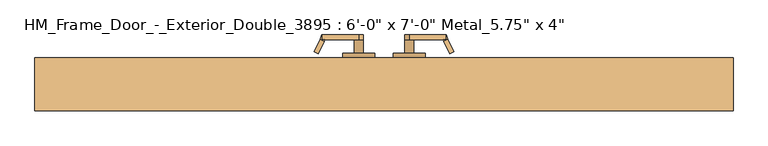
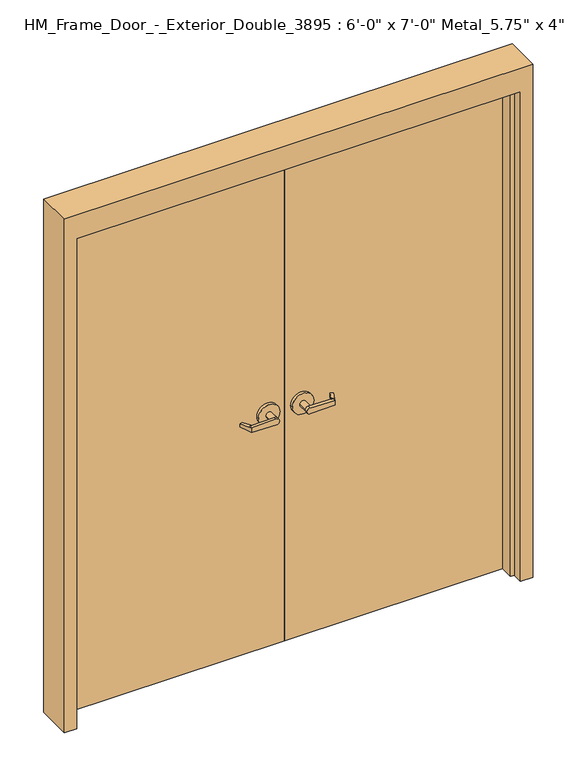
"""IFC4 building model written with IfcOpenShell, lengths in millimetres: door geometry."""

from ifc_helpers import new_model, si_unit, frame, origin, origin_with_axes, place, context, project, spatial, polyline, circle_curve, outline, extrude, faceted_brep, source, transform, mapped, element, save
from ifc_brep_helpers import plane_surface, cylinder_surface, advanced_brep


def door_cf2ee6a8(model_context):
    return source(origin(), model_context, "Body", "SolidModel", [
        advanced_brep(
        [(-291.892857, -64.0976392, 1025.525), (-275.7911012, -29.5673125, 1022.35), (-275.7911012, -29.5673125, 1009.65), (-291.892857, -64.0976392, 1006.475), (-293.8407923, -68.275, 1006.475), (-293.8407923, -68.275, 1025.525), (-285.75, -80.975, 1006.475), (-280.3827481, -69.4648911, 1006.475), (-264.2809923, -34.9345644, 1009.65), (-264.2809923, -34.9345644, 1022.35), (-280.3827481, -69.4648911, 1025.525), (-285.75, -80.975, 1025.525), (-285.75, -68.275, 1025.525), (-285.75, -68.275, 1006.475), (-386.9525418, -80.975, 1028.6937791), (-386.9525418, -80.975, 1003.3062209), (-386.9525418, -68.275, 1003.3062209), (-374.65, -68.275, 1016.0), (-386.9525418, -68.275, 1028.6937791), (-400.05, -68.275, 1016.0), (-400.05, -30.175, 1016.0), (-374.65, -30.175, 1016.0), (-431.8, -30.175, 1016.0), (-342.9, -30.175, 1016.0), (-431.8, -17.475, 1016.0), (-342.9, -17.475, 1016.0)],
        [
            (0, 1),
            (1, 2),
            (2, 3),
            (3, 4),
            (4, 5),
            (5, 0),
            (6, 7),
            (7, 8),
            (8, 9),
            (9, 10),
            (10, 11),
            (11, 6),
            (10, 0),
            (5, 12),
            (12, 11),
            (9, 1),
            (8, 2),
            (7, 3),
            (6, 13),
            (13, 4),
            (11, 14),
            (14, 15, circle_curve(frame((-387.35, -80.975, 1016.0), z_axis=(0.0, -1.0, 0.0), x_axis=(1.0, 0.0, 0.0)), 12.7)),
            (15, 6),
            (13, 16),
            (16, 17, circle_curve(frame((-387.35, -68.275, 1016.0), z_axis=(0.0, -1.0, 0.0), x_axis=(1.0, 0.0, 0.0)), 12.7)),
            (17, 18, circle_curve(frame((-387.35, -68.275, 1016.0), z_axis=(0.0, -1.0, 0.0), x_axis=(1.0, 0.0, 0.0)), 12.7)),
            (18, 12),
            (18, 14),
            (18, 19, circle_curve(frame((-387.35, -68.275, 1016.0), z_axis=(0.0, -1.0, 0.0), x_axis=(1.0, 0.0, 0.0)), 12.7)),
            (19, 16, circle_curve(frame((-387.35, -68.275, 1016.0), z_axis=(0.0, -1.0, 0.0), x_axis=(1.0, 0.0, 0.0)), 12.7)),
            (16, 15),
            (19, 20),
            (20, 21, circle_curve(frame((-387.35, -30.175, 1016.0), z_axis=(0.0, -1.0, 0.0), x_axis=(1.0, 0.0, 0.0)), 12.7)),
            (21, 17),
            (21, 20, circle_curve(frame((-387.35, -30.175, 1016.0), z_axis=(0.0, -1.0, 0.0), x_axis=(1.0, 0.0, 0.0)), 12.7)),
            (22, 23, circle_curve(frame((-387.35, -30.175, 1016.0), z_axis=(0.0, -1.0, 0.0), x_axis=(1.0, 0.0, 0.0)), 44.45)),
            (23, 22, circle_curve(frame((-387.35, -30.175, 1016.0), z_axis=(0.0, -1.0, 0.0), x_axis=(1.0, 0.0, 0.0)), 44.45)),
            (24, 25, circle_curve(frame((-387.35, -17.475, 1016.0), z_axis=(0.0, 1.0, 0.0), x_axis=(1.0, 0.0, 0.0)), 44.45)),
            (25, 24, circle_curve(frame((-387.35, -17.475, 1016.0), z_axis=(0.0, 1.0, 0.0), x_axis=(1.0, 0.0, 0.0)), 44.45)),
            (22, 24),
            (25, 23),
        ],
        [
            plane_surface(frame((-297.2601089, -75.6077481, 1025.525), z_axis=(-0.9063077870366494, 0.4226182617407007, 0.0), x_axis=(0.0, 0.0, 1.0))),
            plane_surface(frame((-285.75, -80.975, 1025.525), z_axis=(0.9063077870366494, -0.4226182617407007, 0.0), x_axis=(0.0, 0.0, -1.0))),
            plane_surface(frame((-297.2601089, -75.6077481, 1025.525), z_axis=(0.0, 0.0, 1.0000000000000002), x_axis=(0.9063077870366494, -0.42261826174070094, 0.0))),
            plane_surface(frame((-291.892857, -64.0976392, 1025.525), z_axis=(0.035096536341203244, 0.0752647650696388, 0.9965457582448801), x_axis=(0.9063077870366494, -0.42261826174070094, 0.0))),
            plane_surface(frame((-275.7911012, -29.5673125, 1022.35), z_axis=(0.42261826174070094, 0.9063077870366494, 0.0), x_axis=(0.9063077870366494, -0.42261826174070094, 0.0))),
            plane_surface(frame((-275.7911012, -29.5673125, 1009.65), z_axis=(0.03509653634121679, 0.07526476506964087, -0.9965457582448793), x_axis=(0.9063077870366495, -0.42261826174070033, 0.0))),
            plane_surface(frame((-291.892857, -64.0976392, 1006.475), z_axis=(0.0, 0.0, -1.0000000000000002), x_axis=(0.9063077870366494, -0.42261826174070094, 0.0))),
            plane_surface(frame((-285.75, -80.975, 1025.525), z_axis=(0.0, -1.0000000000000002, 0.0), x_axis=(-0.9995101626549143, 0.0, 0.0312959222511001))),
            plane_surface(frame((-285.75, -68.275, 1025.525), z_axis=(0.0, 1.0000000000000002, 0.0), x_axis=(0.9995101626549143, 0.0, -0.0312959222511001))),
            plane_surface(frame((-285.75, -80.975, 1025.525), z_axis=(0.0312959222511001, 0.0, 0.9995101626549143), x_axis=(0.0, 1.0, 0.0))),
            cylinder_surface(frame((-387.35, -68.275, 1016.0), z_axis=(0.0, -1.0, 0.0), x_axis=(1.0, 0.0, 0.0)), 12.7),
            plane_surface(frame((-386.9525418, -80.975, 1003.3062209), z_axis=(0.03129592225110919, 0.0, -0.999510162654914), x_axis=(0.0, 1.0, 0.0))),
            cylinder_surface(frame((-387.35, -30.175, 1016.0), z_axis=(0.0, -1.0, 0.0), x_axis=(1.0, 0.0, 0.0)), 12.7),
            plane_surface(frame((-342.9, -30.175, 1016.0), z_axis=(0.0, -1.0, 0.0), x_axis=(0.0, 0.0, 1.0))),
            plane_surface(frame((-342.9, -17.475, 1016.0), z_axis=(0.0, 1.0, 0.0), x_axis=(0.0, 0.0, -1.0))),
            cylinder_surface(frame((-387.35, -17.475, 1016.0), z_axis=(0.0, -1.0, 0.0), x_axis=(1.0, 0.0, 0.0)), 44.45),
        ],
        [
            (0, [[1, 2, 3, 4, 5, 6]]),
            (1, [[7, 8, 9, 10, 11, 12]]),
            (2, [[-11, 13, -6, 14, 15]]),
            (3, [[-1, -13, -10, 16]]),
            (4, [[-2, -16, -9, 17]]),
            (5, [[-3, -17, -8, 18]]),
            (6, [[-7, 19, 20, -4, -18]]),
            (7, [[21, 22, 23, -12]]),
            (8, [[24, 25, 26, 27, -14, -5, -20]]),
            (9, [[-21, -15, -27, 28]]),
            (10, [[-22, -28, 29, 30, 31]]),
            (11, [[-23, -31, -24, -19]]),
            (12, [[32, 33, 34, -25, -30]]),
            (12, [[-32, -29, -26, -34, 35]]),
            (13, [[36, 37], [-33, -35]]),
            (14, [[38, 39]]),
            (15, [[-36, 40, -39, 41]]),
            (15, [[-37, -41, -38, -40]]),
        ],
    ),
        advanced_brep(
        [(-622.507143, -64.0976392, 1006.475), (-638.6088988, -29.5673125, 1009.65), (-638.6088988, -29.5673125, 1022.35), (-622.507143, -64.0976392, 1025.525), (-620.5592077, -68.275, 1025.525), (-620.5592077, -68.275, 1006.475), (-628.65, -80.975, 1025.525), (-634.0172519, -69.4648911, 1025.525), (-650.1190077, -34.9345644, 1022.35), (-650.1190077, -34.9345644, 1009.65), (-634.0172519, -69.4648911, 1006.475), (-628.65, -80.975, 1006.475), (-628.65, -68.275, 1006.475), (-628.65, -68.275, 1025.525), (-527.4474582, -80.975, 1003.3062209), (-527.4474582, -80.975, 1028.6937791), (-527.4474582, -68.275, 1028.6937791), (-539.75, -68.275, 1016.0), (-527.4474582, -68.275, 1003.3062209), (-514.35, -68.275, 1016.0), (-514.35, -30.175, 1016.0), (-539.75, -30.175, 1016.0), (-482.6, -30.175, 1016.0), (-571.5, -30.175, 1016.0), (-482.6, -17.475, 1016.0), (-571.5, -17.475, 1016.0)],
        [
            (0, 1),
            (1, 2),
            (2, 3),
            (3, 4),
            (4, 5),
            (5, 0),
            (6, 7),
            (7, 8),
            (8, 9),
            (9, 10),
            (10, 11),
            (11, 6),
            (10, 0),
            (5, 12),
            (12, 11),
            (9, 1),
            (8, 2),
            (7, 3),
            (6, 13),
            (13, 4),
            (11, 14),
            (14, 15, circle_curve(frame((-527.05, -80.975, 1016.0), z_axis=(0.0, -1.0, 0.0), x_axis=(-1.0, 0.0, 0.0)), 12.7)),
            (15, 6),
            (13, 16),
            (16, 17, circle_curve(frame((-527.05, -68.275, 1016.0), z_axis=(0.0, -1.0, 0.0), x_axis=(-1.0, 0.0, 0.0)), 12.7)),
            (17, 18, circle_curve(frame((-527.05, -68.275, 1016.0), z_axis=(0.0, -1.0, 0.0), x_axis=(-1.0, 0.0, 0.0)), 12.7)),
            (18, 12),
            (18, 14),
            (18, 19, circle_curve(frame((-527.05, -68.275, 1016.0), z_axis=(0.0, -1.0, 0.0), x_axis=(-1.0, 0.0, 0.0)), 12.7)),
            (19, 16, circle_curve(frame((-527.05, -68.275, 1016.0), z_axis=(0.0, -1.0, 0.0), x_axis=(-1.0, 0.0, 0.0)), 12.7)),
            (16, 15),
            (19, 20),
            (20, 21, circle_curve(frame((-527.05, -30.175, 1016.0), z_axis=(0.0, -1.0, 0.0), x_axis=(-1.0, 0.0, 0.0)), 12.7)),
            (21, 17),
            (21, 20, circle_curve(frame((-527.05, -30.175, 1016.0), z_axis=(0.0, -1.0, 0.0), x_axis=(-1.0, 0.0, 0.0)), 12.7)),
            (22, 23, circle_curve(frame((-527.05, -30.175, 1016.0), z_axis=(0.0, -1.0, 0.0), x_axis=(-1.0, 0.0, 0.0)), 44.45)),
            (23, 22, circle_curve(frame((-527.05, -30.175, 1016.0), z_axis=(0.0, -1.0, 0.0), x_axis=(-1.0, 0.0, 0.0)), 44.45)),
            (24, 25, circle_curve(frame((-527.05, -17.475, 1016.0), z_axis=(0.0, 1.0, 0.0), x_axis=(-1.0, 0.0, 0.0)), 44.45)),
            (25, 24, circle_curve(frame((-527.05, -17.475, 1016.0), z_axis=(0.0, 1.0, 0.0), x_axis=(-1.0, 0.0, 0.0)), 44.45)),
            (22, 24),
            (25, 23),
        ],
        [
            plane_surface(frame((-617.1398911, -75.6077481, 1006.475), z_axis=(0.9063077870366494, 0.4226182617407007, 0.0), x_axis=(0.0, 0.0, -1.0))),
            plane_surface(frame((-628.65, -80.975, 1006.475), z_axis=(-0.9063077870366494, -0.4226182617407007, 0.0), x_axis=(0.0, 0.0, 1.0))),
            plane_surface(frame((-617.1398911, -75.6077481, 1006.475), z_axis=(0.0, 0.0, -1.0000000000000002), x_axis=(-0.9063077870366494, -0.42261826174070094, 0.0))),
            plane_surface(frame((-622.507143, -64.0976392, 1006.475), z_axis=(-0.035096536341209544, 0.07526476506963878, -0.9965457582448799), x_axis=(-0.9063077870366494, -0.42261826174070094, 0.0))),
            plane_surface(frame((-638.6088988, -29.5673125, 1009.65), z_axis=(-0.42261826174070094, 0.9063077870366494, 0.0), x_axis=(-0.9063077870366494, -0.42261826174070094, 0.0))),
            plane_surface(frame((-638.6088988, -29.5673125, 1022.35), z_axis=(-0.03509653634121048, 0.0752647650696409, 0.9965457582448796), x_axis=(-0.9063077870366495, -0.42261826174070033, 0.0))),
            plane_surface(frame((-622.507143, -64.0976392, 1025.525), z_axis=(0.0, 0.0, 1.0000000000000002), x_axis=(-0.9063077870366494, -0.42261826174070094, 0.0))),
            plane_surface(frame((-628.65, -80.975, 1006.475), z_axis=(0.0, -1.0, 0.0), x_axis=(0.9995101626549141, 0.0, -0.03129592225110644))),
            plane_surface(frame((-628.65, -68.275, 1006.475), z_axis=(0.0, 1.0, 0.0), x_axis=(-0.9995101626549141, 0.0, 0.03129592225110644))),
            plane_surface(frame((-628.65, -80.975, 1006.475), z_axis=(-0.03129592225110644, 0.0, -0.9995101626549141), x_axis=(0.0, 1.0, 0.0))),
            cylinder_surface(frame((-527.05, -68.275, 1016.0), z_axis=(0.0, -1.0, 0.0), x_axis=(-1.0, 0.0, 0.0)), 12.7),
            plane_surface(frame((-527.4474582, -80.975, 1028.6937791), z_axis=(-0.03129592225110286, 0.0, 0.9995101626549142), x_axis=(0.0, 1.0, 0.0))),
            cylinder_surface(frame((-527.05, -30.175, 1016.0), z_axis=(0.0, -1.0, 0.0), x_axis=(-1.0, 0.0, 0.0)), 12.7),
            plane_surface(frame((-571.5, -30.175, 1016.0), z_axis=(0.0, -1.0, 0.0), x_axis=(0.0, 0.0, -1.0))),
            plane_surface(frame((-571.5, -17.475, 1016.0), z_axis=(0.0, 1.0, 0.0), x_axis=(0.0, 0.0, 1.0))),
            cylinder_surface(frame((-527.05, -17.475, 1016.0), z_axis=(0.0, -1.0, 0.0), x_axis=(-1.0, 0.0, 0.0)), 44.45),
        ],
        [
            (0, [[1, 2, 3, 4, 5, 6]]),
            (1, [[7, 8, 9, 10, 11, 12]]),
            (2, [[-11, 13, -6, 14, 15]]),
            (3, [[-1, -13, -10, 16]]),
            (4, [[-2, -16, -9, 17]]),
            (5, [[-3, -17, -8, 18]]),
            (6, [[-7, 19, 20, -4, -18]]),
            (7, [[21, 22, 23, -12]]),
            (8, [[24, 25, 26, 27, -14, -5, -20]]),
            (9, [[-21, -15, -27, 28]]),
            (10, [[-22, -28, 29, 30, 31]]),
            (11, [[-23, -31, -24, -19]]),
            (12, [[32, 33, 34, -25, -30]]),
            (12, [[-32, -29, -26, -34, 35]]),
            (13, [[36, 37], [-33, -35]]),
            (14, [[38, 39]]),
            (15, [[-36, 40, -39, 41]]),
            (15, [[-37, -41, -38, -40]]),
        ],
    ),
        advanced_brep(
        [(-291.892857, 73.5976392, 1006.475), (-275.7911012, 39.0673125, 1009.65), (-275.7911012, 39.0673125, 1022.35), (-291.892857, 73.5976392, 1025.525), (-293.8407923, 77.775, 1025.525), (-293.8407923, 77.775, 1006.475), (-285.75, 90.475, 1025.525), (-280.3827481, 78.9648911, 1025.525), (-264.2809923, 44.4345644, 1022.35), (-264.2809923, 44.4345644, 1009.65), (-280.3827481, 78.9648911, 1006.475), (-285.75, 90.475, 1006.475), (-285.75, 77.775, 1006.475), (-285.75, 77.775, 1025.525), (-386.9525418, 90.475, 1003.3062209), (-386.9525418, 90.475, 1028.6937791), (-386.9525418, 77.775, 1028.6937791), (-374.65, 77.775, 1016.0), (-386.9525418, 77.775, 1003.3062209), (-400.05, 77.775, 1016.0), (-400.05, 39.675, 1016.0), (-374.65, 39.675, 1016.0), (-431.8, 39.675, 1016.0), (-342.9, 39.675, 1016.0), (-431.8, 26.975, 1016.0), (-342.9, 26.975, 1016.0)],
        [
            (0, 1),
            (1, 2),
            (2, 3),
            (3, 4),
            (4, 5),
            (5, 0),
            (6, 7),
            (7, 8),
            (8, 9),
            (9, 10),
            (10, 11),
            (11, 6),
            (10, 0),
            (5, 12),
            (12, 11),
            (9, 1),
            (8, 2),
            (7, 3),
            (6, 13),
            (13, 4),
            (11, 14),
            (14, 15, circle_curve(frame((-387.35, 90.475, 1016.0), z_axis=(0.0, 1.0, 0.0), x_axis=(1.0, 0.0, 0.0)), 12.7)),
            (15, 6),
            (13, 16),
            (16, 17, circle_curve(frame((-387.35, 77.775, 1016.0), z_axis=(0.0, 1.0, 0.0), x_axis=(1.0, 0.0, 0.0)), 12.7)),
            (17, 18, circle_curve(frame((-387.35, 77.775, 1016.0), z_axis=(0.0, 1.0, 0.0), x_axis=(1.0, 0.0, 0.0)), 12.7)),
            (18, 12),
            (18, 14),
            (18, 19, circle_curve(frame((-387.35, 77.775, 1016.0), z_axis=(0.0, 1.0, 0.0), x_axis=(1.0, 0.0, 0.0)), 12.7)),
            (19, 16, circle_curve(frame((-387.35, 77.775, 1016.0), z_axis=(0.0, 1.0, 0.0), x_axis=(1.0, 0.0, 0.0)), 12.7)),
            (16, 15),
            (19, 20),
            (20, 21, circle_curve(frame((-387.35, 39.675, 1016.0), z_axis=(0.0, 1.0, 0.0), x_axis=(1.0, 0.0, 0.0)), 12.7)),
            (21, 17),
            (21, 20, circle_curve(frame((-387.35, 39.675, 1016.0), z_axis=(0.0, 1.0, 0.0), x_axis=(1.0, 0.0, 0.0)), 12.7)),
            (22, 23, circle_curve(frame((-387.35, 39.675, 1016.0), z_axis=(0.0, 1.0, 0.0), x_axis=(1.0, 0.0, 0.0)), 44.45)),
            (23, 22, circle_curve(frame((-387.35, 39.675, 1016.0), z_axis=(0.0, 1.0, 0.0), x_axis=(1.0, 0.0, 0.0)), 44.45)),
            (24, 25, circle_curve(frame((-387.35, 26.975, 1016.0), z_axis=(0.0, -1.0, 0.0), x_axis=(1.0, 0.0, 0.0)), 44.45)),
            (25, 24, circle_curve(frame((-387.35, 26.975, 1016.0), z_axis=(0.0, -1.0, 0.0), x_axis=(1.0, 0.0, 0.0)), 44.45)),
            (22, 24),
            (25, 23),
        ],
        [
            plane_surface(frame((-297.2601089, 85.1077481, 1006.475), z_axis=(-0.9063077870366494, -0.4226182617407007, 0.0), x_axis=(0.0, 0.0, -1.0))),
            plane_surface(frame((-285.75, 90.475, 1006.475), z_axis=(0.9063077870366494, 0.4226182617407007, 0.0), x_axis=(0.0, 0.0, 1.0))),
            plane_surface(frame((-297.2601089, 85.1077481, 1006.475), z_axis=(0.0, 0.0, -1.0000000000000002), x_axis=(0.9063077870366494, 0.42261826174070094, 0.0))),
            plane_surface(frame((-291.892857, 73.5976392, 1006.475), z_axis=(0.0350965363412159, -0.0752647650696388, -0.9965457582448797), x_axis=(0.9063077870366494, 0.42261826174070094, 0.0))),
            plane_surface(frame((-275.7911012, 39.0673125, 1009.65), z_axis=(0.42261826174070094, -0.9063077870366494, 0.0), x_axis=(0.9063077870366494, 0.42261826174070094, 0.0))),
            plane_surface(frame((-275.7911012, 39.0673125, 1022.35), z_axis=(0.035096536341204125, -0.07526476506964087, 0.9965457582448798), x_axis=(0.9063077870366495, 0.42261826174070033, 0.0))),
            plane_surface(frame((-291.892857, 73.5976392, 1025.525), z_axis=(0.0, 0.0, 1.0000000000000002), x_axis=(0.9063077870366494, 0.42261826174070094, 0.0))),
            plane_surface(frame((-285.75, 90.475, 1006.475), z_axis=(0.0, 1.0, 0.0), x_axis=(-0.9995101626549139, 0.0, -0.03129592225111281))),
            plane_surface(frame((-285.75, 77.775, 1006.475), z_axis=(0.0, -1.0, 0.0), x_axis=(0.9995101626549139, 0.0, 0.03129592225111281))),
            plane_surface(frame((-285.75, 90.475, 1006.475), z_axis=(0.03129592225111281, 0.0, -0.9995101626549139), x_axis=(0.0, -1.0, 0.0))),
            cylinder_surface(frame((-387.35, 77.775, 1016.0), z_axis=(0.0, 1.0, 0.0), x_axis=(1.0, 0.0, 0.0)), 12.7),
            plane_surface(frame((-386.9525418, 90.475, 1028.6937791), z_axis=(0.03129592225109649, 0.0, 0.9995101626549144), x_axis=(0.0, -1.0, 0.0))),
            cylinder_surface(frame((-387.35, 39.675, 1016.0), z_axis=(0.0, 1.0, 0.0), x_axis=(1.0, 0.0, 0.0)), 12.7),
            plane_surface(frame((-342.9, 39.675, 1016.0), z_axis=(0.0, 1.0, 0.0), x_axis=(0.0, 0.0, -1.0))),
            plane_surface(frame((-342.9, 26.975, 1016.0), z_axis=(0.0, -1.0, 0.0), x_axis=(0.0, 0.0, 1.0))),
            cylinder_surface(frame((-387.35, 26.975, 1016.0), z_axis=(0.0, 1.0, 0.0), x_axis=(1.0, 0.0, 0.0)), 44.45),
        ],
        [
            (0, [[1, 2, 3, 4, 5, 6]]),
            (1, [[7, 8, 9, 10, 11, 12]]),
            (2, [[-11, 13, -6, 14, 15]]),
            (3, [[-1, -13, -10, 16]]),
            (4, [[-2, -16, -9, 17]]),
            (5, [[-3, -17, -8, 18]]),
            (6, [[-7, 19, 20, -4, -18]]),
            (7, [[21, 22, 23, -12]]),
            (8, [[24, 25, 26, 27, -14, -5, -20]]),
            (9, [[-21, -15, -27, 28]]),
            (10, [[-22, -28, 29, 30, 31]]),
            (11, [[-23, -31, -24, -19]]),
            (12, [[32, 33, 34, -25, -30]]),
            (12, [[-32, -29, -26, -34, 35]]),
            (13, [[36, 37], [-33, -35]]),
            (14, [[38, 39]]),
            (15, [[-36, 40, -39, 41]]),
            (15, [[-37, -41, -38, -40]]),
        ],
    ),
        advanced_brep(
        [(-622.507143, 73.5976392, 1025.525), (-638.6088988, 39.0673125, 1022.35), (-638.6088988, 39.0673125, 1009.65), (-622.507143, 73.5976392, 1006.475), (-620.5592077, 77.775, 1006.475), (-620.5592077, 77.775, 1025.525), (-628.65, 90.475, 1006.475), (-634.0172519, 78.9648911, 1006.475), (-650.1190077, 44.4345644, 1009.65), (-650.1190077, 44.4345644, 1022.35), (-634.0172519, 78.9648911, 1025.525), (-628.65, 90.475, 1025.525), (-628.65, 77.775, 1025.525), (-628.65, 77.775, 1006.475), (-527.4474582, 90.475, 1028.6937791), (-527.4474582, 90.475, 1003.3062209), (-527.4474582, 77.775, 1003.3062209), (-539.75, 77.775, 1016.0), (-527.4474582, 77.775, 1028.6937791), (-514.35, 77.775, 1016.0), (-514.35, 39.675, 1016.0), (-539.75, 39.675, 1016.0), (-482.6, 39.675, 1016.0), (-571.5, 39.675, 1016.0), (-482.6, 26.975, 1016.0), (-571.5, 26.975, 1016.0)],
        [
            (0, 1),
            (1, 2),
            (2, 3),
            (3, 4),
            (4, 5),
            (5, 0),
            (6, 7),
            (7, 8),
            (8, 9),
            (9, 10),
            (10, 11),
            (11, 6),
            (10, 0),
            (5, 12),
            (12, 11),
            (9, 1),
            (8, 2),
            (7, 3),
            (6, 13),
            (13, 4),
            (11, 14),
            (14, 15, circle_curve(frame((-527.05, 90.475, 1016.0), z_axis=(0.0, 1.0, 0.0), x_axis=(-1.0, 0.0, 0.0)), 12.7)),
            (15, 6),
            (13, 16),
            (16, 17, circle_curve(frame((-527.05, 77.775, 1016.0), z_axis=(0.0, 1.0, 0.0), x_axis=(-1.0, 0.0, 0.0)), 12.7)),
            (17, 18, circle_curve(frame((-527.05, 77.775, 1016.0), z_axis=(0.0, 1.0, 0.0), x_axis=(-1.0, 0.0, 0.0)), 12.7)),
            (18, 12),
            (18, 14),
            (18, 19, circle_curve(frame((-527.05, 77.775, 1016.0), z_axis=(0.0, 1.0, 0.0), x_axis=(-1.0, 0.0, 0.0)), 12.7)),
            (19, 16, circle_curve(frame((-527.05, 77.775, 1016.0), z_axis=(0.0, 1.0, 0.0), x_axis=(-1.0, 0.0, 0.0)), 12.7)),
            (16, 15),
            (19, 20),
            (20, 21, circle_curve(frame((-527.05, 39.675, 1016.0), z_axis=(0.0, 1.0, 0.0), x_axis=(-1.0, 0.0, 0.0)), 12.7)),
            (21, 17),
            (21, 20, circle_curve(frame((-527.05, 39.675, 1016.0), z_axis=(0.0, 1.0, 0.0), x_axis=(-1.0, 0.0, 0.0)), 12.7)),
            (22, 23, circle_curve(frame((-527.05, 39.675, 1016.0), z_axis=(0.0, 1.0, 0.0), x_axis=(-1.0, 0.0, 0.0)), 44.45)),
            (23, 22, circle_curve(frame((-527.05, 39.675, 1016.0), z_axis=(0.0, 1.0, 0.0), x_axis=(-1.0, 0.0, 0.0)), 44.45)),
            (24, 25, circle_curve(frame((-527.05, 26.975, 1016.0), z_axis=(0.0, -1.0, 0.0), x_axis=(-1.0, 0.0, 0.0)), 44.45)),
            (25, 24, circle_curve(frame((-527.05, 26.975, 1016.0), z_axis=(0.0, -1.0, 0.0), x_axis=(-1.0, 0.0, 0.0)), 44.45)),
            (22, 24),
            (25, 23),
        ],
        [
            plane_surface(frame((-617.1398911, 85.1077481, 1025.525), z_axis=(0.9063077870366494, -0.4226182617407007, 0.0), x_axis=(0.0, 0.0, 1.0))),
            plane_surface(frame((-628.65, 90.475, 1025.525), z_axis=(-0.9063077870366494, 0.4226182617407007, 0.0), x_axis=(0.0, 0.0, -1.0))),
            plane_surface(frame((-617.1398911, 85.1077481, 1025.525), z_axis=(0.0, 0.0, 1.0000000000000002), x_axis=(-0.9063077870366494, 0.42261826174070094, 0.0))),
            plane_surface(frame((-622.507143, 73.5976392, 1025.525), z_axis=(-0.03509653634120958, -0.07526476506963878, 0.9965457582448799), x_axis=(-0.9063077870366494, 0.42261826174070094, 0.0))),
            plane_surface(frame((-638.6088988, 39.0673125, 1022.35), z_axis=(-0.42261826174070094, -0.9063077870366494, 0.0), x_axis=(-0.9063077870366494, 0.42261826174070094, 0.0))),
            plane_surface(frame((-638.6088988, 39.0673125, 1009.65), z_axis=(-0.035096536341210446, -0.0752647650696409, -0.9965457582448796), x_axis=(-0.9063077870366495, 0.42261826174070033, 0.0))),
            plane_surface(frame((-622.507143, 73.5976392, 1006.475), z_axis=(0.0, 0.0, -1.0000000000000002), x_axis=(-0.9063077870366494, 0.42261826174070094, 0.0))),
            plane_surface(frame((-628.65, 90.475, 1025.525), z_axis=(0.0, 1.0, 0.0), x_axis=(0.9995101626549141, 0.0, 0.03129592225110647))),
            plane_surface(frame((-628.65, 77.775, 1025.525), z_axis=(0.0, -1.0, 0.0), x_axis=(-0.9995101626549141, 0.0, -0.03129592225110647))),
            plane_surface(frame((-628.65, 90.475, 1025.525), z_axis=(-0.03129592225110647, 0.0, 0.9995101626549141), x_axis=(0.0, -1.0, 0.0))),
            cylinder_surface(frame((-527.05, 77.775, 1016.0), z_axis=(0.0, 1.0, 0.0), x_axis=(-1.0, 0.0, 0.0)), 12.7),
            plane_surface(frame((-527.4474582, 90.475, 1003.3062209), z_axis=(-0.03129592225110282, 0.0, -0.9995101626549142), x_axis=(0.0, -1.0, 0.0))),
            cylinder_surface(frame((-527.05, 39.675, 1016.0), z_axis=(0.0, 1.0, 0.0), x_axis=(-1.0, 0.0, 0.0)), 12.7),
            plane_surface(frame((-571.5, 39.675, 1016.0), z_axis=(0.0, 1.0, 0.0), x_axis=(0.0, 0.0, 1.0))),
            plane_surface(frame((-571.5, 26.975, 1016.0), z_axis=(0.0, -1.0, 0.0), x_axis=(0.0, 0.0, -1.0))),
            cylinder_surface(frame((-527.05, 26.975, 1016.0), z_axis=(0.0, 1.0, 0.0), x_axis=(-1.0, 0.0, 0.0)), 44.45),
        ],
        [
            (0, [[1, 2, 3, 4, 5, 6]]),
            (1, [[7, 8, 9, 10, 11, 12]]),
            (2, [[-11, 13, -6, 14, 15]]),
            (3, [[-1, -13, -10, 16]]),
            (4, [[-2, -16, -9, 17]]),
            (5, [[-3, -17, -8, 18]]),
            (6, [[-7, 19, 20, -4, -18]]),
            (7, [[21, 22, 23, -12]]),
            (8, [[24, 25, 26, 27, -14, -5, -20]]),
            (9, [[-21, -15, -27, 28]]),
            (10, [[-22, -28, 29, 30, 31]]),
            (11, [[-23, -31, -24, -19]]),
            (12, [[32, 33, 34, -25, -30]]),
            (12, [[-32, -29, -26, -34, 35]]),
            (13, [[36, 37], [-33, -35]]),
            (14, [[38, 39]]),
            (15, [[-36, 40, -39, 41]]),
            (15, [[-37, -41, -38, -40]]),
        ],
    ),
        extrude(outline(polyline([(-457.2, 26.975), (457.2, 26.975), (457.2, -17.475), (-457.2, -17.475), (-457.2, 26.975)])), origin_with_axes(), (0.0, 0.0, 1.0), 2133.6),
        extrude(outline(polyline([(-1371.6, 26.975), (-457.2, 26.975), (-457.2, -17.475), (-1371.6, -17.475), (-1371.6, 26.975)])), origin_with_axes(), (0.0, 0.0, 1.0), 2133.6),
        faceted_brep([(-1371.6, 26.975, 0.0), (-1371.6, -17.475, 0.0), (-1355.725, -17.475, 0.0), (-1355.725, -74.625, 0.0), (-1371.6, -74.625, 0.0), (-1371.6, -119.075, 0.0), (-1422.4, -119.075, 0.0), (-1422.4, 26.975, 0.0), (-1371.6, 26.975, 2133.6), (-1371.6, -17.475, 2133.6), (457.2, -17.475, 2133.6), (457.2, -17.475, 0.0), (441.325, -17.475, 0.0), (441.325, -17.475, 2117.725), (-1355.725, -17.475, 2117.725), (-1355.725, -74.625, 2117.725), (441.325, -74.625, 2117.725), (441.325, -74.625, 0.0), (457.2, -74.625, 0.0), (457.2, -74.625, 2133.6), (-1371.6, -74.625, 2133.6), (-1371.6, -119.075, 2133.6), (457.2, -119.075, 2133.6), (457.2, -119.075, 0.0), (508.0, -119.075, 0.0), (508.0, -119.075, 2235.2), (-1422.4, -119.075, 2235.2), (-1422.4, 26.975, 2235.2), (508.0, 26.975, 2235.2), (508.0, 26.975, 0.0), (457.2, 26.975, 0.0), (457.2, 26.975, 2133.6)], [[[0, 1, 2, 3, 4, 5, 6, 7]], [[1, 0, 8, 9]], [[2, 1, 9, 10, 11, 12, 13, 14]], [[3, 2, 14, 15]], [[4, 3, 15, 16, 17, 18, 19, 20]], [[5, 4, 20, 21]], [[6, 5, 21, 22, 23, 24, 25, 26]], [[7, 6, 26, 27]], [[0, 7, 27, 28, 29, 30, 31, 8]], [[30, 11, 10, 31]], [[30, 29, 24, 23, 18, 17, 12, 11]], [[12, 17, 16, 13]], [[19, 18, 23, 22]], [[29, 28, 25, 24]], [[25, 28, 27, 26]], [[21, 20, 19, 22]], [[15, 14, 13, 16]], [[10, 9, 8, 31]]]),
    ])


if __name__ == "__main__":
    model = new_model("IFC4")
    model_context = context("Model", 3, world=origin())
    ifc_project = project(units=[si_unit("LENGTHUNIT", "METRE", prefix="MILLI")], contexts=[model_context])
    site = spatial("IfcSite", under=ifc_project)
    building = spatial("IfcBuilding", under=site)
    placement = place(None, origin())
    door_shape = door_cf2ee6a8(model_context)
    element("IfcDoor", 1, ObjectType="HM_Frame_Door_-_Exterior_Double_3895 : 6'-0\" x 7'-0\" Metal_5.75\" x 4\"", at=placement, inside=building, context=model_context, shape_type="MappedRepresentation", body=[
        mapped(door_shape, transform((0.0, 0.0, 0.0), x_axis=(1.0, 0.0, 0.0), y_axis=(0.0, 1.0, 0.0), z_axis=(0.0, 0.0, 1.0))),
    ])
    save(model, "model.ifc")
